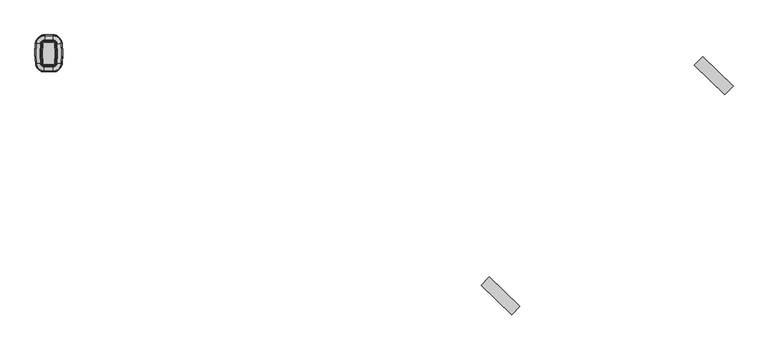
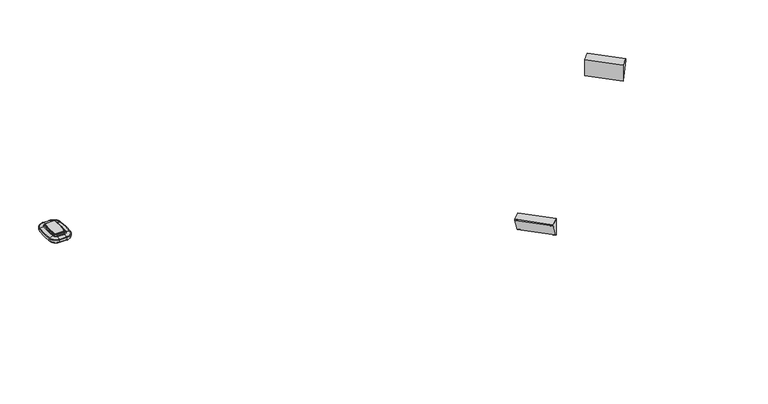
"""IFC4 building model written with IfcOpenShell, lengths in millimetres: furniture geometry."""

from ifc_helpers import new_model, si_unit, point, frame, frame_2d, origin, place, context, project, spatial, polyline, circle_curve, ellipse_curve, trimmed, segment, composite_curve, outline, extrude, source, transform, mapped, element, save
from ifc_brep_helpers import plane_surface, cylinder_surface, revolved_surface, advanced_brep


def furniture_6c87032b(model_context):
    return source(origin(), model_context, "Body", "SolidModel", [
        extrude(outline(composite_curve([segment(trimmed(circle_curve(frame_2d((205.9302061, -44.7356705)), 2.54), [point((208.4535218, -45.0263214))], [point((205.9302061, -47.2756705))], False, "CARTESIAN"), True, "CONTINUOUS"), segment(polyline([(205.9302061, -47.2756705), (185.3092852, -47.2756705)]), True, "CONTINUOUS"), segment(trimmed(circle_curve(frame_2d((185.3092852, -44.7356705)), 2.54), [point((185.3092852, -47.2756705))], [point((182.7859695, -45.0263214))], False, "CARTESIAN"), True, "CONTINUOUS"), segment(trimmed(circle_curve(frame_2d((381.3735299, -22.1517971)), 199.9006328), [point((182.7859695, -45.0263214))], [point((182.5741347, -1.1979559))], False, "CARTESIAN"), True, "CONTINUOUS"), segment(trimmed(circle_curve(frame_2d((186.3631457, -1.597325)), 3.81), [point((182.5741347, -1.1979559))], [point((186.3631457, 2.212675))], False, "CARTESIAN"), True, "CONTINUOUS"), segment(polyline([(186.3631457, 2.212675), (204.8763456, 2.212675)]), True, "CONTINUOUS"), segment(trimmed(circle_curve(frame_2d((204.8763456, -1.597325)), 3.81), [point((204.8763456, 2.212675))], [point((208.6653566, -1.1979559))], False, "CARTESIAN"), True, "CONTINUOUS"), segment(trimmed(circle_curve(frame_2d((9.8659614, -22.1517971)), 199.9006328), [point((208.6653566, -1.1979559))], [point((208.4535218, -45.0263214))], False, "CARTESIAN"), True, "CONTINUOUS")], self_intersect=False)), frame((0.0, 0.0, 695.6719265), z_axis=(0.0, 0.0, 1.0), x_axis=(1.0, 0.0, 0.0)), (0.0, 0.0, 1.0), 2.9994778),
        advanced_brep(
        [(205.9302061, -47.2756705, 679.17195), (205.9302061, -47.2756705, 695.6719265), (208.4535218, -45.0263214, 695.6719265), (208.4535218, -45.0263214, 679.17195), (205.9302061, -61.6387682, 680.9412486), (205.9302061, -50.4678562, 679.17195), (211.6247391, -45.3916015, 679.17195), (222.7222736, -46.6698831, 680.9412486), (205.9302061, -63.9666749, 682.4709063), (225.0348892, -46.9362643, 682.4709063), (205.9302061, -64.8299386, 689.5016248), (225.8924824, -47.0350471, 689.5016248), (205.9302061, -63.4036717, 690.8023206), (224.4755841, -46.8718401, 690.8023206), (205.9302061, -54.0448489, 692.9047158), (215.1782359, -45.8009149, 692.9047158), (205.9302061, -52.2008481, 693.8442812), (213.3463476, -45.5899069, 693.8442812), (205.9302061, -50.4678562, 695.6719265), (211.6247391, -45.3916015, 695.6719265), (185.3092852, -47.2756705, 679.17195), (185.3092852, -47.2756705, 695.6719265), (185.3092852, -61.6387682, 680.9412486), (185.3092852, -50.4678562, 679.17195), (185.3092852, -63.9666749, 682.4709063), (185.3092852, -64.8299386, 689.5016248), (185.3092852, -63.4036717, 690.8023206), (185.3092852, -54.0448489, 692.9047158), (185.3092852, -52.2008481, 693.8442812), (185.3092852, -50.4678562, 695.6719265), (182.7859695, -45.0263214, 679.17195), (182.7859695, -45.0263214, 695.6719265), (168.5172177, -46.6698831, 680.9412486), (179.6147521, -45.3916015, 679.17195), (166.2046021, -46.9362643, 682.4709063), (165.3470089, -47.0350471, 689.5016248), (166.7639072, -46.8718401, 690.8023206), (176.0612553, -45.8009149, 692.9047158), (177.8931436, -45.5899069, 693.8442812), (179.6147521, -45.3916015, 695.6719265), (182.5741347, -1.1979559, 679.17195), (182.5741347, -1.1979559, 695.6719265), (168.2901622, 0.3076025, 680.9412486), (179.3995346, -0.8633469, 679.17195), (165.9750798, 0.5516166, 682.4709063), (165.1165718, 0.6421051, 689.5016248), (166.5349815, 0.4926019, 690.8023206), (175.8422472, -0.4884019, 692.9047158), (177.6760896, -0.6816924, 693.8442812), (179.3995346, -0.8633469, 695.6719265), (186.3631457, 2.212675, 679.17195), (186.3631457, 2.212675, 695.6719265), (186.3631457, 16.5757727, 680.9412486), (186.3631457, 5.4048607, 679.17195), (186.3631457, 18.9036794, 682.4709063), (186.3631457, 19.7669431, 689.5016248), (186.3631457, 18.3406761, 690.8023206), (186.3631457, 8.9818534, 692.9047158), (186.3631457, 7.1378525, 693.8442812), (186.3631457, 5.4048607, 695.6719265), (204.8763456, 2.212675, 679.17195), (204.8763456, 2.212675, 695.6719265), (204.8763456, 16.5757727, 680.9412486), (204.8763456, 5.4048607, 679.17195), (204.8763456, 18.9036794, 682.4709063), (204.8763456, 19.7669431, 689.5016248), (204.8763456, 18.3406761, 690.8023206), (204.8763456, 8.9818534, 692.9047158), (204.8763456, 7.1378525, 693.8442812), (204.8763456, 5.4048607, 695.6719265), (208.6653566, -1.1979559, 679.17195), (208.6653566, -1.1979559, 695.6719265), (222.949329, 0.3076025, 680.9412486), (211.8399567, -0.8633469, 679.17195), (225.2644115, 0.5516166, 682.4709063), (226.1229195, 0.6421051, 689.5016248), (224.7045098, 0.4926019, 690.8023206), (215.3972441, -0.4884019, 692.9047158), (213.5634017, -0.6816924, 693.8442812), (211.8399567, -0.8633469, 695.6719265)],
        [
            (0, 1),
            (1, 2, circle_curve(frame((205.9302061, -44.7356705, 695.6719265), z_axis=(0.0, 0.0, 1.0), x_axis=(0.9934313742949109, -0.11442947420365396, 0.0)), 2.54)),
            (2, 3),
            (3, 0, circle_curve(frame((205.9302061, -44.7356705, 679.17195), z_axis=(0.0, 0.0, -1.0), x_axis=(0.9934313742949109, -0.11442947420365396, 0.0)), 2.54)),
            (4, 5, circle_curve(frame((205.9302061, -50.4678562, 715.3217807), z_axis=(1.0, 0.0, 0.0), x_axis=(0.0, 1.0, 0.0)), 36.1498307)),
            (5, 6, circle_curve(frame((205.9302061, -44.7356705, 679.17195), z_axis=(0.0, 0.0, 1.0), x_axis=(0.9934313742949109, -0.11442947420365396, 0.0)), 5.7321856)),
            (6, 7, circle_curve(frame((211.6247391, -45.3916015, 715.3217807), z_axis=(-0.11442947420363782, -0.9934313742949128, 0.0), x_axis=(-0.9934313742949128, 0.11442947420363782, 0.0)), 36.1498307)),
            (7, 4, circle_curve(frame((205.9302061, -44.7356705, 680.9412486), z_axis=(0.0, 0.0, -1.0), x_axis=(0.9934313742949109, -0.11442947420365396, 0.0)), 16.9030977)),
            (8, 4, circle_curve(frame((205.9302061, -60.0086542, 685.9582238), z_axis=(1.0, 0.0, 0.0), x_axis=(0.0, 1.0, 0.0)), 5.2751599)),
            (7, 9, circle_curve(frame((221.1028672, -46.48335, 685.9582238), z_axis=(-0.11442947420363782, -0.9934313742949128, 0.0), x_axis=(-0.9934313742949128, 0.11442947420363782, 0.0)), 5.2751599)),
            (9, 8, circle_curve(frame((205.9302061, -44.7356705, 682.4709063), z_axis=(0.0, 0.0, -1.0), x_axis=(0.9934313742949109, -0.11442947420365396, 0.0)), 19.2310044)),
            (10, 8, circle_curve(frame((205.9302061, -51.7576644, 687.5383413), z_axis=(1.0, 0.0, 0.0), x_axis=(0.0, 1.0, 0.0)), 13.2188817)),
            (9, 11, circle_curve(frame((212.9060751, -45.5391936, 687.5383413), z_axis=(-0.11442947420363782, -0.9934313742949128, 0.0), x_axis=(-0.9934313742949128, 0.11442947420363782, 0.0)), 13.2188817)),
            (11, 10, circle_curve(frame((205.9302061, -44.7356705, 689.5016248), z_axis=(0.0, 0.0, -1.0), x_axis=(0.9934313742949109, -0.11442947420365396, 0.0)), 20.0942681)),
            (12, 10, circle_curve(frame((205.9302061, -62.1218465, 687.9644178), z_axis=(1.0, 0.0, 0.0), x_axis=(0.0, 1.0, 0.0)), 3.1139634)),
            (11, 13, circle_curve(frame((223.2021788, -46.7251615, 687.9644178), z_axis=(-0.11442947420363782, -0.9934313742949128, 0.0), x_axis=(-0.9934313742949128, 0.11442947420363782, 0.0)), 3.1139634)),
            (13, 12, circle_curve(frame((205.9302061, -44.7356705, 690.8023206), z_axis=(0.0, 0.0, -1.0), x_axis=(0.9934313742949109, -0.11442947420365396, 0.0)), 18.6680011)),
            (14, 12, circle_curve(frame((205.9302061, -53.624396, 669.1514467), z_axis=(1.0, 0.0, 0.0), x_axis=(0.0, 1.0, 0.0)), 23.7569901)),
            (13, 15, circle_curve(frame((214.7605448, -45.7528027, 669.1514467), z_axis=(-0.11442947420363782, -0.9934313742949128, 0.0), x_axis=(-0.9934313742949128, 0.11442947420363782, 0.0)), 23.7569901)),
            (15, 14, circle_curve(frame((205.9302061, -44.7356705, 692.9047158), z_axis=(0.0, 0.0, -1.0), x_axis=(0.9934313742949109, -0.11442947420365396, 0.0)), 9.3091784)),
            (16, 14),
            (15, 17),
            (17, 16, circle_curve(frame((205.9302061, -44.7356705, 693.8442812), z_axis=(0.0, 0.0, -1.0), x_axis=(0.9934313742949109, -0.11442947420365396, 0.0)), 7.4651775)),
            (18, 16),
            (17, 19),
            (19, 18, circle_curve(frame((205.9302061, -44.7356705, 695.6719265), z_axis=(0.0, 0.0, -1.0), x_axis=(0.9934313742949109, -0.11442947420365396, 0.0)), 5.7321856)),
            (0, 20),
            (20, 21),
            (21, 1),
            (4, 22),
            (22, 23, circle_curve(frame((185.3092852, -50.4678562, 715.3217807), z_axis=(1.0, 0.0, 0.0), x_axis=(0.0, 1.0, 0.0)), 36.1498307)),
            (23, 5),
            (8, 24),
            (24, 22, circle_curve(frame((185.3092852, -60.0086542, 685.9582238), z_axis=(1.0, 0.0, 0.0), x_axis=(0.0, 1.0, 0.0)), 5.2751599)),
            (10, 25),
            (25, 24, circle_curve(frame((185.3092852, -51.7576644, 687.5383413), z_axis=(1.0, 0.0, 0.0), x_axis=(0.0, 1.0, 0.0)), 13.2188817)),
            (12, 26),
            (26, 25, circle_curve(frame((185.3092852, -62.1218465, 687.9644178), z_axis=(1.0, 0.0, 0.0), x_axis=(0.0, 1.0, 0.0)), 3.1139634)),
            (14, 27),
            (27, 26, circle_curve(frame((185.3092852, -53.624396, 669.1514467), z_axis=(1.0, 0.0, 0.0), x_axis=(0.0, 1.0, 0.0)), 23.7569901)),
            (16, 28),
            (28, 27),
            (18, 29),
            (29, 28),
            (30, 31),
            (31, 21, circle_curve(frame((185.3092852, -44.7356705, 695.6719265), z_axis=(0.0, 0.0, 1.0), x_axis=(0.0, -1.0, 0.0)), 2.54)),
            (20, 30, circle_curve(frame((185.3092852, -44.7356705, 679.17195), z_axis=(0.0, 0.0, -1.0), x_axis=(0.0, -1.0, 0.0)), 2.54)),
            (32, 33, circle_curve(frame((179.6147521, -45.3916015, 715.3217807), z_axis=(0.11442947420366893, -0.9934313742949091, 0.0), x_axis=(0.9934313742949091, 0.11442947420366893, 0.0)), 36.1498307)),
            (33, 23, circle_curve(frame((185.3092852, -44.7356705, 679.17195), z_axis=(0.0, 0.0, 1.0), x_axis=(0.0, -1.0, 0.0)), 5.7321856)),
            (22, 32, circle_curve(frame((185.3092852, -44.7356705, 680.9412486), z_axis=(0.0, 0.0, -1.0), x_axis=(0.0, -1.0, 0.0)), 16.9030977)),
            (34, 32, circle_curve(frame((170.1366241, -46.48335, 685.9582238), z_axis=(0.11442947420366871, -0.9934313742949091, 0.0), x_axis=(0.9934313742949091, 0.11442947420366871, 0.0)), 5.2751599)),
            (24, 34, circle_curve(frame((185.3092852, -44.7356705, 682.4709063), z_axis=(0.0, 0.0, -1.0), x_axis=(0.0, -1.0, 0.0)), 19.2310044)),
            (35, 34, circle_curve(frame((178.3334162, -45.5391936, 687.5383413), z_axis=(0.11442947420366871, -0.9934313742949091, 0.0), x_axis=(0.9934313742949091, 0.11442947420366871, 0.0)), 13.2188817)),
            (25, 35, circle_curve(frame((185.3092852, -44.7356705, 689.5016248), z_axis=(0.0, 0.0, -1.0), x_axis=(0.0, -1.0, 0.0)), 20.0942681)),
            (36, 35, circle_curve(frame((168.0373125, -46.7251615, 687.9644178), z_axis=(0.11442947420366893, -0.9934313742949091, 0.0), x_axis=(0.9934313742949091, 0.11442947420366893, 0.0)), 3.1139634)),
            (26, 36, circle_curve(frame((185.3092852, -44.7356705, 690.8023206), z_axis=(0.0, 0.0, -1.0), x_axis=(0.0, -1.0, 0.0)), 18.6680011)),
            (37, 36, circle_curve(frame((176.4789465, -45.7528027, 669.1514467), z_axis=(0.11442947420366915, -0.9934313742949091, 0.0), x_axis=(0.9934313742949091, 0.11442947420366915, 0.0)), 23.7569901)),
            (27, 37, circle_curve(frame((185.3092852, -44.7356705, 692.9047158), z_axis=(0.0, 0.0, -1.0), x_axis=(0.0, -1.0, 0.0)), 9.3091784)),
            (38, 37),
            (28, 38, circle_curve(frame((185.3092852, -44.7356705, 693.8442812), z_axis=(0.0, 0.0, -1.0), x_axis=(0.0, -1.0, 0.0)), 7.4651775)),
            (39, 38),
            (29, 39, circle_curve(frame((185.3092852, -44.7356705, 695.6719265), z_axis=(0.0, 0.0, -1.0), x_axis=(0.0, -1.0, 0.0)), 5.7321856)),
            (40, 41),
            (41, 31, circle_curve(frame((381.3735299, -22.1517971, 695.6719265), z_axis=(0.0, 0.0, 1.0), x_axis=(-0.9934313742949111, -0.11442947420365215, 0.0)), 199.9006328)),
            (30, 40, circle_curve(frame((381.3735299, -22.1517971, 679.17195), z_axis=(0.0, 0.0, -1.0), x_axis=(-0.9934313742949111, -0.11442947420365215, 0.0)), 199.9006328)),
            (42, 43, circle_curve(frame((179.3995346, -0.8633469, 715.3217807), z_axis=(-0.10482128506193344, -0.9944910749714977, 0.0), x_axis=(0.9944910749714977, -0.10482128506193344, 0.0)), 36.1498307)),
            (43, 33, circle_curve(frame((381.3735299, -22.1517971, 679.17195), z_axis=(0.0, 0.0, 1.0), x_axis=(-0.9934313742949111, -0.11442947420365215, 0.0)), 203.0928185)),
            (32, 42, circle_curve(frame((381.3735299, -22.1517971, 680.9412486), z_axis=(0.0, 0.0, -1.0), x_axis=(-0.9934313742949111, -0.11442947420365215, 0.0)), 214.2637305)),
            (44, 42, circle_curve(frame((169.9112961, 0.1367318, 685.9582238), z_axis=(-0.10482128506193016, -0.994491074971498, 0.0), x_axis=(0.994491074971498, -0.10482128506193016, 0.0)), 5.2751599)),
            (34, 44, circle_curve(frame((381.3735299, -22.1517971, 682.4709063), z_axis=(0.0, 0.0, -1.0), x_axis=(-0.9934313742949111, -0.11442947420365215, 0.0)), 216.5916372)),
            (45, 44, circle_curve(frame((178.1168318, -0.7281475, 687.5383413), z_axis=(-0.10482128506192903, -0.9944910749714981, 0.0), x_axis=(0.9944910749714981, -0.10482128506192903, 0.0)), 13.2188817)),
            (35, 45, circle_curve(frame((381.3735299, -22.1517971, 689.5016248), z_axis=(0.0, 0.0, -1.0), x_axis=(-0.9934313742949111, -0.11442947420365215, 0.0)), 217.4549009)),
            (46, 45, circle_curve(frame((167.8097452, 0.3582394, 687.9644178), z_axis=(-0.10482128506193093, -0.994491074971498, 0.0), x_axis=(0.994491074971498, -0.10482128506193093, 0.0)), 3.1139634)),
            (36, 46, circle_curve(frame((381.3735299, -22.1517971, 690.8023206), z_axis=(0.0, 0.0, -1.0), x_axis=(-0.9934313742949111, -0.11442947420365215, 0.0)), 216.0286339)),
            (47, 46, circle_curve(frame((176.2603839, -0.5324743, 669.1514467), z_axis=(-0.10482128506194452, -0.9944910749714965, 0.0), x_axis=(0.9944910749714965, -0.10482128506194452, 0.0)), 23.7569901)),
            (37, 47, circle_curve(frame((381.3735299, -22.1517971, 692.9047158), z_axis=(0.0, 0.0, -1.0), x_axis=(-0.9934313742949111, -0.11442947420365215, 0.0)), 206.6698112)),
            (48, 47),
            (38, 48, circle_curve(frame((381.3735299, -22.1517971, 693.8442812), z_axis=(0.0, 0.0, -1.0), x_axis=(-0.9934313742949111, -0.11442947420365215, 0.0)), 204.8258103)),
            (49, 48),
            (39, 49, circle_curve(frame((381.3735299, -22.1517971, 695.6719265), z_axis=(0.0, 0.0, -1.0), x_axis=(-0.9934313742949111, -0.11442947420365215, 0.0)), 203.0928185)),
            (50, 51),
            (51, 41, circle_curve(frame((186.3631457, -1.597325, 695.6719265), z_axis=(0.0, 0.0, 1.0), x_axis=(-0.9944910749715277, 0.1048212850616482, 0.0)), 3.81)),
            (40, 50, circle_curve(frame((186.3631457, -1.597325, 679.17195), z_axis=(0.0, 0.0, -1.0), x_axis=(-0.9944910749715277, 0.1048212850616482, 0.0)), 3.81)),
            (52, 53, circle_curve(frame((186.3631457, 5.4048607, 715.3217807), z_axis=(-1.0, 0.0, 0.0), x_axis=(0.0, -1.0, 0.0)), 36.1498307)),
            (53, 43, circle_curve(frame((186.3631457, -1.597325, 679.17195), z_axis=(0.0, 0.0, 1.0), x_axis=(-0.9944910749715277, 0.1048212850616482, 0.0)), 7.0021856)),
            (42, 52, circle_curve(frame((186.3631457, -1.597325, 680.9412486), z_axis=(0.0, 0.0, -1.0), x_axis=(-0.9944910749715277, 0.1048212850616482, 0.0)), 18.1730977)),
            (54, 52, circle_curve(frame((186.3631457, 14.9456586, 685.9582238), z_axis=(-1.0, 0.0, 0.0), x_axis=(0.0, -1.0, 0.0)), 5.2751599)),
            (44, 54, circle_curve(frame((186.3631457, -1.597325, 682.4709063), z_axis=(0.0, 0.0, -1.0), x_axis=(-0.9944910749715277, 0.1048212850616482, 0.0)), 20.5010044)),
            (55, 54, circle_curve(frame((186.3631457, 6.6946689, 687.5383413), z_axis=(-1.0, 0.0, 0.0), x_axis=(0.0, -1.0, 0.0)), 13.2188817)),
            (45, 55, circle_curve(frame((186.3631457, -1.597325, 689.5016248), z_axis=(0.0, 0.0, -1.0), x_axis=(-0.9944910749715277, 0.1048212850616482, 0.0)), 21.3642681)),
            (56, 55, circle_curve(frame((186.3631457, 17.058851, 687.9644178), z_axis=(-1.0, 0.0, 0.0), x_axis=(0.0, -1.0, 0.0)), 3.1139634)),
            (46, 56, circle_curve(frame((186.3631457, -1.597325, 690.8023206), z_axis=(0.0, 0.0, -1.0), x_axis=(-0.9944910749715277, 0.1048212850616482, 0.0)), 19.9380011)),
            (57, 56, circle_curve(frame((186.3631457, 8.5614004, 669.1514467), z_axis=(-1.0, 0.0, 0.0), x_axis=(0.0, -1.0, 0.0)), 23.7569901)),
            (47, 57, circle_curve(frame((186.3631457, -1.597325, 692.9047158), z_axis=(0.0, 0.0, -1.0), x_axis=(-0.9944910749715277, 0.1048212850616482, 0.0)), 10.5791784)),
            (58, 57),
            (48, 58, circle_curve(frame((186.3631457, -1.597325, 693.8442812), z_axis=(0.0, 0.0, -1.0), x_axis=(-0.9944910749715277, 0.1048212850616482, 0.0)), 8.7351775)),
            (59, 58),
            (49, 59, circle_curve(frame((186.3631457, -1.597325, 695.6719265), z_axis=(0.0, 0.0, -1.0), x_axis=(-0.9944910749715277, 0.1048212850616482, 0.0)), 7.0021856)),
            (50, 60),
            (60, 61),
            (61, 51),
            (52, 62),
            (62, 63, circle_curve(frame((204.8763456, 5.4048607, 715.3217807), z_axis=(-1.0, 0.0, 0.0), x_axis=(0.0, -1.0, 0.0)), 36.1498307)),
            (63, 53),
            (54, 64),
            (64, 62, circle_curve(frame((204.8763456, 14.9456586, 685.9582238), z_axis=(-1.0, 0.0, 0.0), x_axis=(0.0, -1.0, 0.0)), 5.2751599)),
            (55, 65),
            (65, 64, circle_curve(frame((204.8763456, 6.6946689, 687.5383413), z_axis=(-1.0, 0.0, 0.0), x_axis=(0.0, -1.0, 0.0)), 13.2188817)),
            (56, 66),
            (66, 65, circle_curve(frame((204.8763456, 17.058851, 687.9644178), z_axis=(-1.0, 0.0, 0.0), x_axis=(0.0, -1.0, 0.0)), 3.1139634)),
            (57, 67),
            (67, 66, circle_curve(frame((204.8763456, 8.5614004, 669.1514467), z_axis=(-1.0, 0.0, 0.0), x_axis=(0.0, -1.0, 0.0)), 23.7569901)),
            (58, 68),
            (68, 67),
            (59, 69),
            (69, 68),
            (70, 71),
            (71, 61, circle_curve(frame((204.8763456, -1.597325, 695.6719265), z_axis=(0.0, 0.0, 1.0), x_axis=(0.0, 1.0, 0.0)), 3.81)),
            (60, 70, circle_curve(frame((204.8763456, -1.597325, 679.17195), z_axis=(0.0, 0.0, -1.0), x_axis=(0.0, 1.0, 0.0)), 3.81)),
            (72, 73, circle_curve(frame((211.8399567, -0.8633469, 715.3217807), z_axis=(-0.10482128506199397, 0.9944910749714913, 0.0), x_axis=(-0.9944910749714913, -0.10482128506199397, 0.0)), 36.1498307)),
            (73, 63, circle_curve(frame((204.8763456, -1.597325, 679.17195), z_axis=(0.0, 0.0, 1.0), x_axis=(0.0, 1.0, 0.0)), 7.0021856)),
            (62, 72, circle_curve(frame((204.8763456, -1.597325, 680.9412486), z_axis=(0.0, 0.0, -1.0), x_axis=(0.0, 1.0, 0.0)), 18.1730977)),
            (74, 72, circle_curve(frame((221.3281952, 0.1367318, 685.9582238), z_axis=(-0.10482128506199374, 0.9944910749714913, 0.0), x_axis=(-0.9944910749714913, -0.10482128506199374, 0.0)), 5.2751599)),
            (64, 74, circle_curve(frame((204.8763456, -1.597325, 682.4709063), z_axis=(0.0, 0.0, -1.0), x_axis=(0.0, 1.0, 0.0)), 20.5010044)),
            (75, 74, circle_curve(frame((213.1226595, -0.7281475, 687.5383413), z_axis=(-0.10482128506199374, 0.9944910749714913, 0.0), x_axis=(-0.9944910749714913, -0.10482128506199374, 0.0)), 13.2188817)),
            (65, 75, circle_curve(frame((204.8763456, -1.597325, 689.5016248), z_axis=(0.0, 0.0, -1.0), x_axis=(0.0, 1.0, 0.0)), 21.3642681)),
            (76, 75, circle_curve(frame((223.4297461, 0.3582394, 687.9644178), z_axis=(-0.10482128506199374, 0.9944910749714913, 0.0), x_axis=(-0.9944910749714913, -0.10482128506199374, 0.0)), 3.1139634)),
            (66, 76, circle_curve(frame((204.8763456, -1.597325, 690.8023206), z_axis=(0.0, 0.0, -1.0), x_axis=(0.0, 1.0, 0.0)), 19.9380011)),
            (77, 76, circle_curve(frame((214.9791073, -0.5324743, 669.1514467), z_axis=(-0.10482128506199374, 0.9944910749714913, 0.0), x_axis=(-0.9944910749714913, -0.10482128506199374, 0.0)), 23.7569901)),
            (67, 77, circle_curve(frame((204.8763456, -1.597325, 692.9047158), z_axis=(0.0, 0.0, -1.0), x_axis=(0.0, 1.0, 0.0)), 10.5791784)),
            (78, 77),
            (68, 78, circle_curve(frame((204.8763456, -1.597325, 693.8442812), z_axis=(0.0, 0.0, -1.0), x_axis=(0.0, 1.0, 0.0)), 8.7351775)),
            (79, 78),
            (69, 79, circle_curve(frame((204.8763456, -1.597325, 695.6719265), z_axis=(0.0, 0.0, -1.0), x_axis=(0.0, 1.0, 0.0)), 7.0021856)),
            (2, 71, circle_curve(frame((9.8659614, -22.1517971, 695.6719265), z_axis=(0.0, 0.0, 1.0), x_axis=(0.9944910749714929, 0.10482128506197756, 0.0)), 199.9006328)),
            (70, 3, circle_curve(frame((9.8659614, -22.1517971, 679.17195), z_axis=(0.0, 0.0, -1.0), x_axis=(0.9944910749714929, 0.10482128506197756, 0.0)), 199.9006328)),
            (73, 6, circle_curve(frame((9.8659614, -22.1517971, 679.17195), z_axis=(0.0, 0.0, -1.0), x_axis=(0.9944910749714929, 0.10482128506197756, 0.0)), 203.0928185)),
            (72, 7, circle_curve(frame((9.8659614, -22.1517971, 680.9412486), z_axis=(0.0, 0.0, -1.0), x_axis=(0.9944910749714929, 0.10482128506197756, 0.0)), 214.2637305)),
            (74, 9, circle_curve(frame((9.8659614, -22.1517971, 682.4709063), z_axis=(0.0, 0.0, -1.0), x_axis=(0.9944910749714929, 0.10482128506197756, 0.0)), 216.5916372)),
            (75, 11, circle_curve(frame((9.8659614, -22.1517971, 689.5016248), z_axis=(0.0, 0.0, -1.0), x_axis=(0.9944910749714929, 0.10482128506197756, 0.0)), 217.4549009)),
            (76, 13, circle_curve(frame((9.8659614, -22.1517971, 690.8023206), z_axis=(0.0, 0.0, -1.0), x_axis=(0.9944910749714929, 0.10482128506197756, 0.0)), 216.0286339)),
            (77, 15, circle_curve(frame((9.8659614, -22.1517971, 692.9047158), z_axis=(0.0, 0.0, -1.0), x_axis=(0.9944910749714929, 0.10482128506197756, 0.0)), 206.6698112)),
            (78, 17, circle_curve(frame((9.8659614, -22.1517971, 693.8442812), z_axis=(0.0, 0.0, -1.0), x_axis=(0.9944910749714929, 0.10482128506197756, 0.0)), 204.8258103)),
            (79, 19, circle_curve(frame((9.8659614, -22.1517971, 695.6719265), z_axis=(0.0, 0.0, -1.0), x_axis=(0.9944910749714929, 0.10482128506197756, 0.0)), 203.0928185)),
        ],
        [
            revolved_surface(polyline([(208.45352179070906, -45.026321364477276, 695.6719265), (208.45352179070906, -45.026321364477276, 679.17195)]), (205.9302061, -44.7356705, 149.86), (0.0, 0.0, 1.0)),
            revolved_surface(trimmed(ellipse_curve(frame((211.6247391, -45.3916015, 715.3217807), z_axis=(-0.11442947420363782, -0.9934313742949128, 0.0), x_axis=(-0.9934313742949128, 0.11442947420363782, 0.0)), 36.1498307, 36.1498307), [point((211.6247391, -45.3916015, 679.17195))], [point((222.7222736, -46.6698831, 680.9412486))], True, "CARTESIAN"), (205.9302061, -44.7356705, 149.86), (0.0, 0.0, 1.0)),
            revolved_surface(trimmed(ellipse_curve(frame((221.1028672, -46.48335, 685.9582238), z_axis=(-0.11442947420363782, -0.9934313742949128, 0.0), x_axis=(-0.9934313742949128, 0.11442947420363782, 0.0)), 5.2751599, 5.2751599), [point((222.7222736, -46.6698831, 680.9412486))], [point((225.0348892, -46.9362643, 682.4709063))], True, "CARTESIAN"), (205.9302061, -44.7356705, 149.86), (0.0, 0.0, 1.0)),
            revolved_surface(trimmed(ellipse_curve(frame((212.9060751, -45.5391936, 687.5383413), z_axis=(-0.11442947420363782, -0.9934313742949128, 0.0), x_axis=(-0.9934313742949128, 0.11442947420363782, 0.0)), 13.2188817, 13.2188817), [point((225.0348892, -46.9362643, 682.4709063))], [point((225.8924824, -47.0350471, 689.5016248))], True, "CARTESIAN"), (205.9302061, -44.7356705, 149.86), (0.0, 0.0, 1.0)),
            revolved_surface(trimmed(ellipse_curve(frame((223.2021788, -46.7251615, 687.9644178), z_axis=(-0.11442947420363782, -0.9934313742949128, 0.0), x_axis=(-0.9934313742949128, 0.11442947420363782, 0.0)), 3.1139634, 3.1139634), [point((225.8924824, -47.0350471, 689.5016248))], [point((224.4755841, -46.8718401, 690.8023206))], True, "CARTESIAN"), (205.9302061, -44.7356705, 149.86), (0.0, 0.0, 1.0)),
            revolved_surface(trimmed(ellipse_curve(frame((214.7605448, -45.7528027, 669.1514467), z_axis=(-0.11442947420363782, -0.9934313742949128, 0.0), x_axis=(-0.9934313742949128, 0.11442947420363782, 0.0)), 23.7569901, 23.7569901), [point((224.4755841, -46.8718401, 690.8023206))], [point((215.1782359, -45.8009149, 692.9047158))], True, "CARTESIAN"), (205.9302061, -44.7356705, 149.86), (0.0, 0.0, 1.0)),
            revolved_surface(polyline([(215.1782359, -45.8009149, 692.9047158), (213.3463476, -45.5899069, 693.8442812)]), (205.9302061, -44.7356705, 149.86), (0.0, 0.0, 1.0)),
            revolved_surface(polyline([(213.3463476, -45.5899069, 693.8442812), (211.6247391, -45.3916015, 695.6719265)]), (205.9302061, -44.7356705, 149.86), (0.0, 0.0, 1.0)),
            plane_surface(frame((205.9302061, -47.2756705, 695.6719265), z_axis=(0.0, 1.0, 0.0), x_axis=(-1.0, 0.0, 0.0))),
            cylinder_surface(frame((205.9302061, -50.4678562, 715.3217807), z_axis=(1.0, 0.0, 0.0), x_axis=(0.0, 1.0, 0.0)), 36.1498307),
            cylinder_surface(frame((205.9302061, -60.0086542, 685.9582238), z_axis=(1.0, 0.0, 0.0), x_axis=(0.0, 1.0, 0.0)), 5.2751599),
            cylinder_surface(frame((205.9302061, -51.7576644, 687.5383413), z_axis=(1.0, 0.0, 0.0), x_axis=(0.0, 1.0, 0.0)), 13.2188817),
            cylinder_surface(frame((205.9302061, -62.1218465, 687.9644178), z_axis=(1.0, 0.0, 0.0), x_axis=(0.0, 1.0, 0.0)), 3.1139634),
            cylinder_surface(frame((205.9302061, -53.624396, 669.1514467), z_axis=(1.0, 0.0, 0.0), x_axis=(0.0, 1.0, 0.0)), 23.7569901),
            plane_surface(frame((205.9302061, -54.0448489, 692.9047158), z_axis=(0.0, -0.45399049973953376, 0.8910065241883746), x_axis=(-1.0, 0.0, 0.0))),
            plane_surface(frame((205.9302061, -52.2008481, 693.8442812), z_axis=(0.0, -0.7256476472225023, 0.6880664881248375), x_axis=(-1.0, 0.0, 0.0))),
            revolved_surface(polyline([(185.3092852, -47.2756705, 695.6719265), (185.3092852, -47.2756705, 679.17195)]), (185.3092852, -44.7356705, 149.86), (0.0, 0.0, 1.0)),
            revolved_surface(trimmed(ellipse_curve(frame((185.3092852, -50.4678562, 715.3217807), z_axis=(-1.0, 0.0, 0.0), x_axis=(0.0, 1.0, 0.0)), 36.1498307, 36.1498307), [point((185.3092852, -50.4678562, 679.17195))], [point((185.3092852, -61.6387682, 680.9412486))], True, "CARTESIAN"), (185.3092852, -44.7356705, 149.86), (0.0, 0.0, 1.0)),
            revolved_surface(trimmed(ellipse_curve(frame((185.3092852, -60.0086542, 685.9582238), z_axis=(-1.0, 0.0, 0.0), x_axis=(0.0, 1.0, 0.0)), 5.2751599, 5.2751599), [point((185.3092852, -61.6387682, 680.9412486))], [point((185.3092852, -63.9666749, 682.4709063))], True, "CARTESIAN"), (185.3092852, -44.7356705, 149.86), (0.0, 0.0, 1.0)),
            revolved_surface(trimmed(ellipse_curve(frame((185.3092852, -51.7576644, 687.5383413), z_axis=(-1.0, 0.0, 0.0), x_axis=(0.0, 1.0, 0.0)), 13.2188817, 13.2188817), [point((185.3092852, -63.9666749, 682.4709063))], [point((185.3092852, -64.8299386, 689.5016248))], True, "CARTESIAN"), (185.3092852, -44.7356705, 149.86), (0.0, 0.0, 1.0)),
            revolved_surface(trimmed(ellipse_curve(frame((185.3092852, -62.1218465, 687.9644178), z_axis=(-1.0, 0.0, 0.0), x_axis=(0.0, 1.0, 0.0)), 3.1139634, 3.1139634), [point((185.3092852, -64.8299386, 689.5016248))], [point((185.3092852, -63.4036717, 690.8023206))], True, "CARTESIAN"), (185.3092852, -44.7356705, 149.86), (0.0, 0.0, 1.0)),
            revolved_surface(trimmed(ellipse_curve(frame((185.3092852, -53.624396, 669.1514467), z_axis=(-1.0, 0.0, 0.0), x_axis=(0.0, 1.0, 0.0)), 23.7569901, 23.7569901), [point((185.3092852, -63.4036717, 690.8023206))], [point((185.3092852, -54.0448489, 692.9047158))], True, "CARTESIAN"), (185.3092852, -44.7356705, 149.86), (0.0, 0.0, 1.0)),
            revolved_surface(polyline([(185.3092852, -54.0448489, 692.9047158), (185.3092852, -52.2008481, 693.8442812)]), (185.3092852, -44.7356705, 149.86), (0.0, 0.0, 1.0)),
            revolved_surface(polyline([(185.3092852, -52.2008481, 693.8442812), (185.3092852, -50.4678562, 695.6719265)]), (185.3092852, -44.7356705, 149.86), (0.0, 0.0, 1.0)),
            revolved_surface(polyline([(182.7859695350736, -45.02632140428135, 695.6719265), (182.7859695350736, -45.02632140428135, 679.17195)]), (381.3735299, -22.1517971, 149.86), (0.0, 0.0, 1.0)),
            revolved_surface(trimmed(ellipse_curve(frame((179.6147521, -45.3916015, 715.3217807), z_axis=(-0.11442947420366831, 0.9934313742949092, 0.0), x_axis=(0.9934313742949092, 0.11442947420366831, 0.0)), 36.1498307, 36.1498307), [point((179.6147521, -45.3916015, 679.17195))], [point((168.5172177, -46.6698831, 680.9412486))], True, "CARTESIAN"), (381.3735299, -22.1517971, 149.86), (0.0, 0.0, 1.0)),
            revolved_surface(trimmed(ellipse_curve(frame((170.1366241, -46.48335, 685.9582238), z_axis=(-0.11442947420366831, 0.9934313742949092, 0.0), x_axis=(0.9934313742949092, 0.11442947420366831, 0.0)), 5.2751599, 5.2751599), [point((168.5172177, -46.6698831, 680.9412486))], [point((166.2046021, -46.9362643, 682.4709063))], True, "CARTESIAN"), (381.3735299, -22.1517971, 149.86), (0.0, 0.0, 1.0)),
            revolved_surface(trimmed(ellipse_curve(frame((178.3334162, -45.5391936, 687.5383413), z_axis=(-0.11442947420366831, 0.9934313742949092, 0.0), x_axis=(0.9934313742949092, 0.11442947420366831, 0.0)), 13.2188817, 13.2188817), [point((166.2046021, -46.9362643, 682.4709063))], [point((165.3470089, -47.0350471, 689.5016248))], True, "CARTESIAN"), (381.3735299, -22.1517971, 149.86), (0.0, 0.0, 1.0)),
            revolved_surface(trimmed(ellipse_curve(frame((168.0373125, -46.7251615, 687.9644178), z_axis=(-0.11442947420366831, 0.9934313742949092, 0.0), x_axis=(0.9934313742949092, 0.11442947420366831, 0.0)), 3.1139634, 3.1139634), [point((165.3470089, -47.0350471, 689.5016248))], [point((166.7639072, -46.8718401, 690.8023206))], True, "CARTESIAN"), (381.3735299, -22.1517971, 149.86), (0.0, 0.0, 1.0)),
            revolved_surface(trimmed(ellipse_curve(frame((176.4789465, -45.7528027, 669.1514467), z_axis=(-0.11442947420366831, 0.9934313742949092, 0.0), x_axis=(0.9934313742949092, 0.11442947420366831, 0.0)), 23.7569901, 23.7569901), [point((166.7639072, -46.8718401, 690.8023206))], [point((176.0612553, -45.8009149, 692.9047158))], True, "CARTESIAN"), (381.3735299, -22.1517971, 149.86), (0.0, 0.0, 1.0)),
            revolved_surface(polyline([(176.0612553, -45.8009149, 692.9047158), (177.8931436, -45.5899069, 693.8442812)]), (381.3735299, -22.1517971, 149.86), (0.0, 0.0, 1.0)),
            revolved_surface(polyline([(177.8931436, -45.5899069, 693.8442812), (179.6147521, -45.3916015, 695.6719265)]), (381.3735299, -22.1517971, 149.86), (0.0, 0.0, 1.0)),
            revolved_surface(polyline([(182.57413470435847, -1.1979559039151204, 695.6719265), (182.57413470435847, -1.1979559039151204, 679.17195)]), (186.3631457, -1.597325, 149.86), (0.0, 0.0, 1.0)),
            revolved_surface(trimmed(ellipse_curve(frame((179.3995346, -0.8633469, 715.3217807), z_axis=(0.10482128506163199, 0.9944910749715293, 0.0), x_axis=(0.9944910749715293, -0.10482128506163199, 0.0)), 36.1498307, 36.1498307), [point((179.3995346, -0.8633469, 679.17195))], [point((168.2901622, 0.3076025, 680.9412486))], True, "CARTESIAN"), (186.3631457, -1.597325, 149.86), (0.0, 0.0, 1.0)),
            revolved_surface(trimmed(ellipse_curve(frame((169.9112961, 0.1367318, 685.9582238), z_axis=(0.10482128506163199, 0.9944910749715293, 0.0), x_axis=(0.9944910749715293, -0.10482128506163199, 0.0)), 5.2751599, 5.2751599), [point((168.2901622, 0.3076025, 680.9412486))], [point((165.9750798, 0.5516166, 682.4709063))], True, "CARTESIAN"), (186.3631457, -1.597325, 149.86), (0.0, 0.0, 1.0)),
            revolved_surface(trimmed(ellipse_curve(frame((178.1168318, -0.7281475, 687.5383413), z_axis=(0.10482128506163199, 0.9944910749715293, 0.0), x_axis=(0.9944910749715293, -0.10482128506163199, 0.0)), 13.2188817, 13.2188817), [point((165.9750798, 0.5516166, 682.4709063))], [point((165.1165718, 0.6421051, 689.5016248))], True, "CARTESIAN"), (186.3631457, -1.597325, 149.86), (0.0, 0.0, 1.0)),
            revolved_surface(trimmed(ellipse_curve(frame((167.8097452, 0.3582394, 687.9644178), z_axis=(0.10482128506163199, 0.9944910749715293, 0.0), x_axis=(0.9944910749715293, -0.10482128506163199, 0.0)), 3.1139634, 3.1139634), [point((165.1165718, 0.6421051, 689.5016248))], [point((166.5349815, 0.4926019, 690.8023206))], True, "CARTESIAN"), (186.3631457, -1.597325, 149.86), (0.0, 0.0, 1.0)),
            revolved_surface(trimmed(ellipse_curve(frame((176.2603839, -0.5324743, 669.1514467), z_axis=(0.10482128506163199, 0.9944910749715293, 0.0), x_axis=(0.9944910749715293, -0.10482128506163199, 0.0)), 23.7569901, 23.7569901), [point((166.5349815, 0.4926019, 690.8023206))], [point((175.8422472, -0.4884019, 692.9047158))], True, "CARTESIAN"), (186.3631457, -1.597325, 149.86), (0.0, 0.0, 1.0)),
            revolved_surface(polyline([(175.8422472, -0.4884019, 692.9047158), (177.6760896, -0.6816924, 693.8442812)]), (186.3631457, -1.597325, 149.86), (0.0, 0.0, 1.0)),
            revolved_surface(polyline([(177.6760896, -0.6816924, 693.8442812), (179.3995346, -0.8633469, 695.6719265)]), (186.3631457, -1.597325, 149.86), (0.0, 0.0, 1.0)),
            plane_surface(frame((186.3631457, 2.212675, 695.6719265), z_axis=(0.0, -1.0, 0.0), x_axis=(1.0, 0.0, 0.0))),
            cylinder_surface(frame((186.3631457, 5.4048607, 715.3217807), z_axis=(-1.0, 0.0, 0.0), x_axis=(0.0, -1.0, 0.0)), 36.1498307),
            cylinder_surface(frame((186.3631457, 14.9456586, 685.9582238), z_axis=(-1.0, 0.0, 0.0), x_axis=(0.0, -1.0, 0.0)), 5.2751599),
            cylinder_surface(frame((186.3631457, 6.6946689, 687.5383413), z_axis=(-1.0, 0.0, 0.0), x_axis=(0.0, -1.0, 0.0)), 13.2188817),
            cylinder_surface(frame((186.3631457, 17.058851, 687.9644178), z_axis=(-1.0, 0.0, 0.0), x_axis=(0.0, -1.0, 0.0)), 3.1139634),
            cylinder_surface(frame((186.3631457, 8.5614004, 669.1514467), z_axis=(-1.0, 0.0, 0.0), x_axis=(0.0, -1.0, 0.0)), 23.7569901),
            plane_surface(frame((186.3631457, 8.9818534, 692.9047158), z_axis=(0.0, 0.45399049973953376, 0.8910065241883744), x_axis=(1.0, 0.0, 0.0))),
            plane_surface(frame((186.3631457, 7.1378525, 693.8442812), z_axis=(0.0, 0.7256476472225023, 0.6880664881248375), x_axis=(1.0, 0.0, 0.0))),
            revolved_surface(polyline([(204.8763456, 2.212675, 695.6719265), (204.8763456, 2.212675, 679.17195)]), (204.8763456, -1.597325, 149.86), (0.0, 0.0, 1.0)),
            revolved_surface(trimmed(ellipse_curve(frame((204.8763456, 5.4048607, 715.3217807), z_axis=(1.0, 0.0, 0.0), x_axis=(0.0, -1.0, 0.0)), 36.1498307, 36.1498307), [point((204.8763456, 5.4048607, 679.17195))], [point((204.8763456, 16.5757727, 680.9412486))], True, "CARTESIAN"), (204.8763456, -1.597325, 149.86), (0.0, 0.0, 1.0)),
            revolved_surface(trimmed(ellipse_curve(frame((204.8763456, 14.9456586, 685.9582238), z_axis=(1.0, 0.0, 0.0), x_axis=(0.0, -1.0, 0.0)), 5.2751599, 5.2751599), [point((204.8763456, 16.5757727, 680.9412486))], [point((204.8763456, 18.9036794, 682.4709063))], True, "CARTESIAN"), (204.8763456, -1.597325, 149.86), (0.0, 0.0, 1.0)),
            revolved_surface(trimmed(ellipse_curve(frame((204.8763456, 6.6946689, 687.5383413), z_axis=(1.0, 0.0, 0.0), x_axis=(0.0, -1.0, 0.0)), 13.2188817, 13.2188817), [point((204.8763456, 18.9036794, 682.4709063))], [point((204.8763456, 19.7669431, 689.5016248))], True, "CARTESIAN"), (204.8763456, -1.597325, 149.86), (0.0, 0.0, 1.0)),
            revolved_surface(trimmed(ellipse_curve(frame((204.8763456, 17.058851, 687.9644178), z_axis=(1.0, 0.0, 0.0), x_axis=(0.0, -1.0, 0.0)), 3.1139634, 3.1139634), [point((204.8763456, 19.7669431, 689.5016248))], [point((204.8763456, 18.3406761, 690.8023206))], True, "CARTESIAN"), (204.8763456, -1.597325, 149.86), (0.0, 0.0, 1.0)),
            revolved_surface(trimmed(ellipse_curve(frame((204.8763456, 8.5614004, 669.1514467), z_axis=(1.0, 0.0, 0.0), x_axis=(0.0, -1.0, 0.0)), 23.7569901, 23.7569901), [point((204.8763456, 18.3406761, 690.8023206))], [point((204.8763456, 8.9818534, 692.9047158))], True, "CARTESIAN"), (204.8763456, -1.597325, 149.86), (0.0, 0.0, 1.0)),
            revolved_surface(polyline([(204.8763456, 8.9818534, 692.9047158), (204.8763456, 7.1378525, 693.8442812)]), (204.8763456, -1.597325, 149.86), (0.0, 0.0, 1.0)),
            revolved_surface(polyline([(204.8763456, 7.1378525, 693.8442812), (204.8763456, 5.4048607, 695.6719265)]), (204.8763456, -1.597325, 149.86), (0.0, 0.0, 1.0)),
            revolved_surface(polyline([(208.66535660075368, -1.1979558852014982, 695.6719265), (208.66535660075368, -1.1979558852014982, 679.17195)]), (9.8659614, -22.1517971, 149.86), (0.0, 0.0, 1.0)),
            plane_surface(frame((9.8659614, -22.1517971, 679.17195), z_axis=(0.0, 0.0, -1.0000000000000002), x_axis=(0.994491074971493, 0.10482128506197758, 0.0))),
            revolved_surface(trimmed(ellipse_curve(frame((211.8399567, -0.8633469, 715.3217807), z_axis=(0.10482128506199377, -0.9944910749714913, 0.0), x_axis=(-0.9944910749714913, -0.10482128506199377, 0.0)), 36.1498307, 36.1498307), [point((211.8399567, -0.8633469, 679.17195))], [point((222.949329, 0.3076025, 680.9412486))], True, "CARTESIAN"), (9.8659614, -22.1517971, 149.86), (0.0, 0.0, 1.0)),
            revolved_surface(trimmed(ellipse_curve(frame((221.3281952, 0.1367318, 685.9582238), z_axis=(0.10482128506199377, -0.9944910749714913, 0.0), x_axis=(-0.9944910749714913, -0.10482128506199377, 0.0)), 5.2751599, 5.2751599), [point((222.949329, 0.3076025, 680.9412486))], [point((225.2644115, 0.5516166, 682.4709063))], True, "CARTESIAN"), (9.8659614, -22.1517971, 149.86), (0.0, 0.0, 1.0)),
            revolved_surface(trimmed(ellipse_curve(frame((213.1226595, -0.7281475, 687.5383413), z_axis=(0.10482128506199377, -0.9944910749714913, 0.0), x_axis=(-0.9944910749714913, -0.10482128506199377, 0.0)), 13.2188817, 13.2188817), [point((225.2644115, 0.5516166, 682.4709063))], [point((226.1229195, 0.6421051, 689.5016248))], True, "CARTESIAN"), (9.8659614, -22.1517971, 149.86), (0.0, 0.0, 1.0)),
            revolved_surface(trimmed(ellipse_curve(frame((223.4297461, 0.3582394, 687.9644178), z_axis=(0.10482128506199377, -0.9944910749714913, 0.0), x_axis=(-0.9944910749714913, -0.10482128506199377, 0.0)), 3.1139634, 3.1139634), [point((226.1229195, 0.6421051, 689.5016248))], [point((224.7045098, 0.4926019, 690.8023206))], True, "CARTESIAN"), (9.8659614, -22.1517971, 149.86), (0.0, 0.0, 1.0)),
            revolved_surface(trimmed(ellipse_curve(frame((214.9791073, -0.5324743, 669.1514467), z_axis=(0.10482128506199377, -0.9944910749714913, 0.0), x_axis=(-0.9944910749714913, -0.10482128506199377, 0.0)), 23.7569901, 23.7569901), [point((224.7045098, 0.4926019, 690.8023206))], [point((215.3972441, -0.4884019, 692.9047158))], True, "CARTESIAN"), (9.8659614, -22.1517971, 149.86), (0.0, 0.0, 1.0)),
            revolved_surface(polyline([(215.3972441, -0.4884019, 692.9047158), (213.5634017, -0.6816924, 693.8442812)]), (9.8659614, -22.1517971, 149.86), (0.0, 0.0, 1.0)),
            revolved_surface(polyline([(213.5634017, -0.6816924, 693.8442812), (211.8399567, -0.8633469, 695.6719265)]), (9.8659614, -22.1517971, 149.86), (0.0, 0.0, 1.0)),
            plane_surface(frame((9.8659614, -22.1517971, 695.6719265), z_axis=(0.0, 0.0, 1.0000000000000002), x_axis=(0.994491074971493, 0.10482128506197758, 0.0))),
        ],
        [
            (0, [[1, 2, 3, 4]]),
            (1, [[5, 6, 7, 8]]),
            (2, [[9, -8, 10, 11]]),
            (3, [[12, -11, 13, 14]]),
            (4, [[15, -14, 16, 17]]),
            (5, [[18, -17, 19, 20]]),
            (6, [[21, -20, 22, 23]]),
            (7, [[24, -23, 25, 26]]),
            (8, [[27, 28, 29, -1]]),
            (9, [[30, 31, 32, -5]]),
            (10, [[33, 34, -30, -9]]),
            (11, [[35, 36, -33, -12]]),
            (12, [[37, 38, -35, -15]]),
            (13, [[39, 40, -37, -18]]),
            (14, [[41, 42, -39, -21]]),
            (15, [[43, 44, -41, -24]]),
            (16, [[45, 46, -28, 47]]),
            (17, [[48, 49, -31, 50]]),
            (18, [[51, -50, -34, 52]]),
            (19, [[53, -52, -36, 54]]),
            (20, [[55, -54, -38, 56]]),
            (21, [[57, -56, -40, 58]]),
            (22, [[59, -58, -42, 60]]),
            (23, [[61, -60, -44, 62]]),
            (24, [[63, 64, -45, 65]]),
            (25, [[66, 67, -48, 68]]),
            (26, [[69, -68, -51, 70]]),
            (27, [[71, -70, -53, 72]]),
            (28, [[73, -72, -55, 74]]),
            (29, [[75, -74, -57, 76]]),
            (30, [[77, -76, -59, 78]]),
            (31, [[79, -78, -61, 80]]),
            (32, [[81, 82, -63, 83]]),
            (33, [[84, 85, -66, 86]]),
            (34, [[87, -86, -69, 88]]),
            (35, [[89, -88, -71, 90]]),
            (36, [[91, -90, -73, 92]]),
            (37, [[93, -92, -75, 94]]),
            (38, [[95, -94, -77, 96]]),
            (39, [[97, -96, -79, 98]]),
            (40, [[99, 100, 101, -81]]),
            (41, [[102, 103, 104, -84]]),
            (42, [[105, 106, -102, -87]]),
            (43, [[107, 108, -105, -89]]),
            (44, [[109, 110, -107, -91]]),
            (45, [[111, 112, -109, -93]]),
            (46, [[113, 114, -111, -95]]),
            (47, [[115, 116, -113, -97]]),
            (48, [[117, 118, -100, 119]]),
            (49, [[120, 121, -103, 122]]),
            (50, [[123, -122, -106, 124]]),
            (51, [[125, -124, -108, 126]]),
            (52, [[127, -126, -110, 128]]),
            (53, [[129, -128, -112, 130]]),
            (54, [[131, -130, -114, 132]]),
            (55, [[133, -132, -116, 134]]),
            (56, [[-3, 135, -117, 136]]),
            (57, [[-6, -32, -49, -67, -85, -104, -121, 137], [-83, -65, -47, -27, -4, -136, -119, -99]]),
            (58, [[-7, -137, -120, 138]]),
            (59, [[-10, -138, -123, 139]]),
            (60, [[-13, -139, -125, 140]]),
            (61, [[-16, -140, -127, 141]]),
            (62, [[-19, -141, -129, 142]]),
            (63, [[-22, -142, -131, 143]]),
            (64, [[-25, -143, -133, 144]]),
            (65, [[-98, -80, -62, -43, -26, -144, -134, -115], [-2, -29, -46, -64, -82, -101, -118, -135]]),
        ],
    ),
        extrude(outline(composite_curve([segment(trimmed(circle_curve(frame_2d((205.9302061, -44.7356705)), 2.54), [point((208.4535218, -45.0263214))], [point((205.9302061, -47.2756705))], False, "CARTESIAN"), True, "CONTINUOUS"), segment(polyline([(205.9302061, -47.2756705), (185.3092852, -47.2756705)]), True, "CONTINUOUS"), segment(trimmed(circle_curve(frame_2d((185.3092852, -44.7356705)), 2.54), [point((185.3092852, -47.2756705))], [point((182.7859695, -45.0263214))], False, "CARTESIAN"), True, "CONTINUOUS"), segment(trimmed(circle_curve(frame_2d((381.3735299, -22.1517971)), 199.9006328), [point((182.7859695, -45.0263214))], [point((182.5741347, -1.1979559))], False, "CARTESIAN"), True, "CONTINUOUS"), segment(trimmed(circle_curve(frame_2d((186.3631457, -1.597325)), 3.81), [point((182.5741347, -1.1979559))], [point((186.3631457, 2.212675))], False, "CARTESIAN"), True, "CONTINUOUS"), segment(polyline([(186.3631457, 2.212675), (204.8763456, 2.212675)]), True, "CONTINUOUS"), segment(trimmed(circle_curve(frame_2d((204.8763456, -1.597325)), 3.81), [point((204.8763456, 2.212675))], [point((208.6653566, -1.1979559))], False, "CARTESIAN"), True, "CONTINUOUS"), segment(trimmed(circle_curve(frame_2d((9.8659614, -22.1517971)), 199.9006328), [point((208.6653566, -1.1979559))], [point((208.4535218, -45.0263214))], False, "CARTESIAN"), True, "CONTINUOUS")], self_intersect=False)), frame((0.0, 0.0, 679.17195), z_axis=(0.0, 0.0, 1.0), x_axis=(1.0, 0.0, 0.0)), (0.0, 0.0, 1.0), 16.4999765),
        extrude(outline(composite_curve([segment(polyline([(0.7635446, 2.8429297), (43.8914929, -22.1243683)]), True, "CONTINUOUS"), segment(trimmed(circle_curve(frame_2d((42.9412736, -23.7657557)), 1.8965942), [point((43.8914929, -22.1243683))], [point((44.8013506, -24.1361379))], False, "CARTESIAN"), True, "CONTINUOUS"), segment(polyline([(44.8013506, -24.1361379), (-3.7010668, -24.1361379), (-3.7010668, 3.048), (0.0, 3.048)]), True, "CONTINUOUS"), segment(trimmed(circle_curve(frame_2d((0.0, 1.524)), 1.524), [point((0.0, 3.048))], [point((0.7635446, 2.8429297))], False, "CARTESIAN"), True, "CONTINUOUS")], self_intersect=False)), frame((1261.2324706, -622.3429436, 694.9703375), z_axis=(-0.7190374630542498, 0.6949713135982725, 0.0), x_axis=(0.0, 0.0, -1.0)), (0.0, 0.0, 1.0), 97.4054697),
        extrude(outline(composite_curve([segment(trimmed(circle_curve(frame_2d((-49.833582, 1.5240001)), 1.524), [point((-49.833582, 0.0))], [point((-50.5971266, 0.2050703))], False, "CARTESIAN"), True, "CONTINUOUS"), segment(polyline([(-50.5971266, 0.2050703), (-53.8001758, 2.0593548), (-40.1805554, 25.5855804), (1.7953506, 1.2852139)]), True, "CONTINUOUS"), segment(trimmed(circle_curve(frame_2d((0.0, 1.8965942)), 1.8965942), [point((1.7953506, 1.2852139))], [point((0.0, 0.0))], False, "CARTESIAN"), True, "CONTINUOUS"), segment(polyline([(0.0, 0.0), (-49.833582, 0.0)]), True, "CONTINUOUS")], self_intersect=False)), frame((1750.0662056, -116.5813937, 651.0788446), z_axis=(-0.7190374630542498, 0.6949713135982725, 0.0), x_axis=(-0.34819001968268365, -0.3602474857806397, -0.8654394601484845)), (0.0, 0.0, 1.0), 97.4054697),
    ])


if __name__ == "__main__":
    model = new_model("IFC4")
    model_context = context("Model", 3, world=origin())
    ifc_project = project(units=[si_unit("LENGTHUNIT", "METRE", prefix="MILLI")], contexts=[model_context])
    site = spatial("IfcSite", under=ifc_project)
    building = spatial("IfcBuilding", under=site)
    placement = place(None, origin())
    furniture_shape = furniture_6c87032b(model_context)
    element("IfcFurniture", 1, at=placement, inside=building, context=model_context, shape_type="MappedRepresentation", body=[
        mapped(furniture_shape, transform((0.0, 0.0, 0.0), x_axis=(1.0, 0.0, 0.0), y_axis=(0.0, 1.0, 0.0), z_axis=(0.0, 0.0, 1.0))),
    ])
    save(model, "model.ifc")
